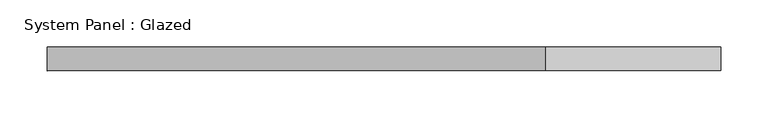
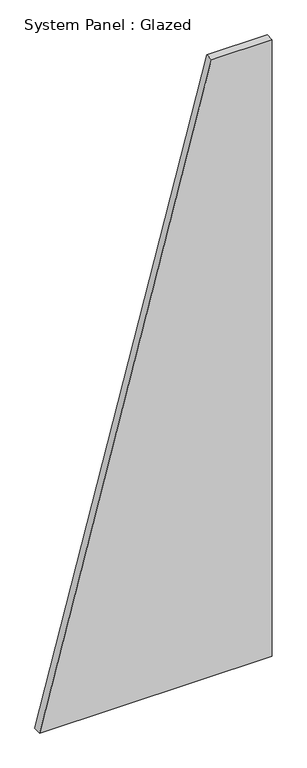
"""IFC4 building model written with IfcOpenShell, lengths in millimetres: plate geometry, System Panel : Glazed."""

from ifc_helpers import new_model, si_unit, frame, origin, place, context, project, spatial, polyline, outline, extrude, source, transform, mapped, element, save


def system_panel_glazed_ed06fe8f(model_context):
    return source(origin(), model_context, "Body", "SweptSolid", [
        extrude(outline(polyline([(0.0, -357.1428573), (0.0, 357.1428573), (2000.0, 357.1428573), (2000.0, 171.4285713), (0.0, -357.1428573)])), frame((0.0, 24.5, 0.0), z_axis=(0.0, 1.0, 0.0), x_axis=(0.0, 0.0, 1.0)), (0.0, 0.0, 1.0), 25.0),
    ])


if __name__ == "__main__":
    model = new_model("IFC4")
    model_context = context("Model", 3, world=origin())
    ifc_project = project(units=[si_unit("LENGTHUNIT", "METRE", prefix="MILLI")], contexts=[model_context])
    site = spatial("IfcSite", under=ifc_project)
    building = spatial("IfcBuilding", under=site)
    placement = place(None, origin())
    system_panel_glazed_shape = system_panel_glazed_ed06fe8f(model_context)
    element("IfcPlate", 1, ObjectType="System Panel : Glazed", at=placement, inside=building, context=model_context, shape_type="MappedRepresentation", body=[
        mapped(system_panel_glazed_shape, transform((0.0, 0.0, 0.0), x_axis=(1.0, 0.0, 0.0), y_axis=(0.0, 1.0, 0.0), z_axis=(0.0, 0.0, 1.0))),
    ])
    save(model, "model.ifc")
